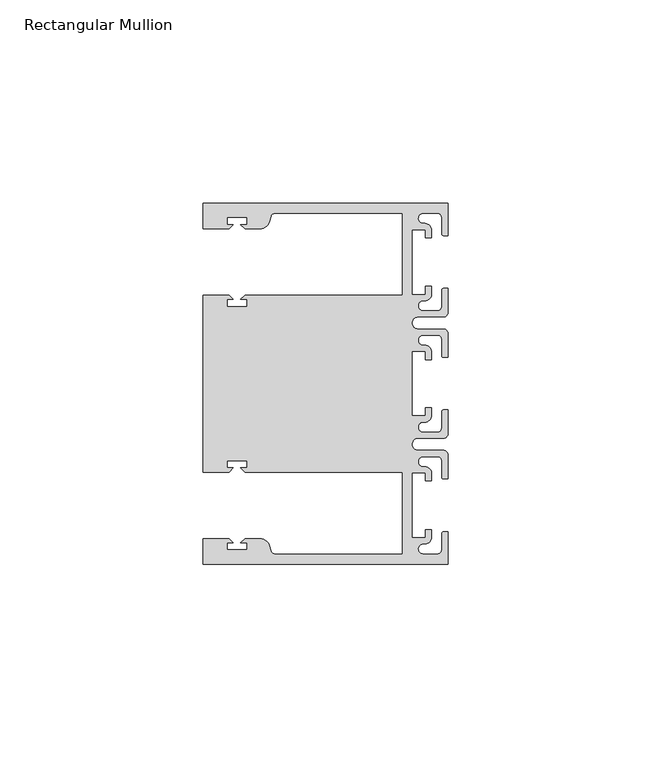
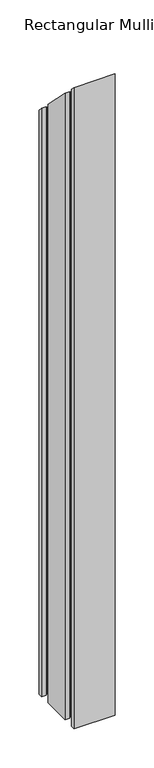
"""IFC4 building model written with IfcOpenShell, lengths in millimetres: member geometry, Rectangular Mullion."""

from ifc_helpers import new_model, si_unit, frame, origin, place, context, project, spatial, polyline, circle_curve, ellipse_curve, source, transform, mapped, element, save
from ifc_brep_helpers import plane_surface, cylinder_surface, revolved_surface, advanced_brep


def rectangular_mullion_90950c6e(model_context):
    return source(origin(), model_context, "Body", "AdvancedBrep", [
        advanced_brep(
        [(0.0, -44.45, -952.5), (-60.3249977, -44.45, -952.5), (-60.3249977, -38.1499897, -952.5), (-53.8507531, -38.1499897, -952.5), (-52.8507405, -39.1500023, -952.5), (-54.4249778, -39.1500023, -952.5), (-54.4249778, -40.9498819, -952.5), (-49.4249831, -40.9498819, -952.5), (-49.4249831, -39.1500023, -952.5), (-50.999256, -39.1500023, -952.5), (-49.9992503, -38.1499966, -952.5), (-46.3137853, -38.1499966, -952.5), (-43.8989707, -40.002949, -952.5), (-43.5758588, -41.2088192, -952.5), (-42.6099329, -41.9500001, -952.5), (-11.1124977, -41.95, -952.5), (-11.1124977, -21.7499959, -952.5), (-49.9992434, -21.7499959, -952.5), (-50.999256, -20.7499834, -952.5), (-49.4250186, -20.7499834, -952.5), (-49.4250186, -18.949936, -952.5), (-54.4250134, -18.949936, -952.5), (-54.4250134, -20.7499834, -952.5), (-52.8507405, -20.7499834, -952.5), (-53.8507562, -21.749999, -952.5), (-60.325, -21.749999, -952.5), (-60.325, 21.749999, -952.5), (-53.8507562, 21.749999, -952.5), (-52.8507405, 20.7499834, -952.5), (-54.4250134, 20.7499834, -952.5), (-54.4250134, 18.949936, -952.5), (-49.4250186, 18.949936, -952.5), (-49.4250186, 20.7499834, -952.5), (-50.999256, 20.7499834, -952.5), (-49.9992434, 21.7499959, -952.5), (-11.1125, 21.7499959, -952.5), (-11.1125, 41.95, -952.5), (-42.6099329, 41.95, -952.5), (-43.5758588, 41.2088192, -952.5), (-43.8989707, 40.002949, -952.5), (-46.3137853, 38.1499966, -952.5), (-49.9992503, 38.1499966, -952.5), (-50.999256, 39.1500023, -952.5), (-49.4249831, 39.1500023, -952.5), (-49.4249831, 40.9498819, -952.5), (-54.4249778, 40.9498819, -952.5), (-54.4249778, 39.1500023, -952.5), (-52.8507405, 39.1500023, -952.5), (-53.8507531, 38.1499897, -952.5), (-60.325, 38.1499897, -952.5), (-60.325, 44.45, -952.5), (0.0, 44.45, -952.5), (0.0, 36.4500318, -952.5), (-1.0, 36.4500318, -952.5), (-1.5, 36.9500318, -952.5), (-1.5, 40.95, -952.5), (-2.5, 41.95, -952.5), (-6.0499986, 41.95, -952.5), (-5.9027291, 39.4587029, -952.5), (-4.0000054, 37.7499972, -952.5), (-4.0000054, 35.9500318, -952.5), (-5.5, 35.9500318, -952.5), (-5.5, 37.9499972, -952.5), (-8.8585786, 37.9499972, -952.5), (-8.8585786, 21.9499956, -952.5), (-5.5, 21.9499956, -952.5), (-5.5, 23.9499611, -952.5), (-3.9999946, 23.9499611, -952.5), (-3.9999946, 22.0272972, -952.5), (-6.0499986, 20.4499956, -952.5), (-6.0499986, 17.9499929, -952.5), (-2.5, 17.9499929, -952.5), (-1.5, 18.9499929, -952.5), (-1.5, 22.9499611, -952.5), (-1.0, 23.4499611, -952.5), (0.0, 23.4499611, -952.5), (0.0, 17.4499929, -952.5), (-1.0, 16.4499929, -952.5), (-7.3, 16.4499929, -952.5), (-7.3046244, 13.45, -952.5), (-1.0, 13.45, -952.5), (0.0, 12.45, -952.5), (0.0, 6.4500354, -952.5), (-0.9999964, 6.4500354, -952.5), (-1.4999964, 6.9500354, -952.5), (-1.4999964, 10.95, -952.5), (-2.4999964, 11.95, -952.5), (-6.0499986, 11.95, -952.5), (-6.0499986, 9.4499972, -952.5), (-4.0000054, 7.7499972, -952.5), (-4.0000054, 5.9500318, -952.5), (-5.5, 5.9500318, -952.5), (-5.5, 7.9499972, -952.5), (-8.8, 7.9499972, -952.5), (-8.8, -7.9499972, -952.5), (-5.5, -7.9499972, -952.5), (-5.5, -5.9500318, -952.5), (-4.0000054, -5.9500318, -952.5), (-4.0000054, -7.7499972, -952.5), (-6.0499986, -9.4499972, -952.5), (-6.0499986, -11.95, -952.5), (-2.4999964, -11.95, -952.5), (-1.4999964, -10.95, -952.5), (-1.4999964, -6.9500354, -952.5), (-0.9999964, -6.4500354, -952.5), (0.0, -6.4500354, -952.5), (0.0, -12.45, -952.5), (-1.0, -13.45, -952.5), (-7.3046244, -13.45, -952.5), (-7.3, -16.4499929, -952.5), (-1.0, -16.4499929, -952.5), (0.0, -17.4499929, -952.5), (0.0, -23.4499611, -952.5), (-1.0, -23.4499611, -952.5), (-1.5, -22.9499611, -952.5), (-1.5, -18.9499929, -952.5), (-2.5, -17.9499929, -952.5), (-6.0499986, -17.9499929, -952.5), (-6.0499986, -20.4499956, -952.5), (-3.9999946, -22.0272972, -952.5), (-3.9999946, -23.9499611, -952.5), (-5.5, -23.9499611, -952.5), (-5.5, -21.9499956, -952.5), (-8.8585786, -21.9499956, -952.5), (-8.8585786, -37.9499972, -952.5), (-5.5, -37.9499972, -952.5), (-5.5, -35.9500318, -952.5), (-4.0000054, -35.9500318, -952.5), (-4.0000054, -37.7499972, -952.5), (-5.9027291, -39.4587029, -952.5), (-6.0499986, -41.95, -952.5), (-2.5, -41.95, -952.5), (-1.5, -40.95, -952.5), (-1.5, -36.9500318, -952.5), (-1.0, -36.4500318, -952.5), (0.0, -36.4500318, -952.5), (0.0, -36.4500318, 36.4500318), (0.0, -44.45, 44.45), (-1.0, -36.4500318, 36.4500318), (-1.5, -36.9500318, 36.9500318), (-1.5, -40.95, 40.95), (-2.5, -41.95, 41.95), (-6.0499986, -41.95, 41.95), (-5.9027291, -39.4587029, 39.4587029), (-4.0000054, -37.7499972, 37.7499972), (-4.0000054, -35.9500318, 35.9500318), (-5.5, -35.9500318, 35.9500318), (-5.5, -37.9499972, 37.9499972), (-8.8585786, -37.9499972, 37.9499972), (-8.8585786, -21.9499956, 21.9499956), (-5.5, -21.9499956, 21.9499956), (-5.5, -23.9499611, 23.9499611), (-3.9999946, -23.9499611, 23.9499611), (-3.9999946, -22.0272972, 22.0272972), (-6.0499986, -20.4499956, 20.4499956), (-6.0499986, -17.9499929, 17.9499929), (-2.5, -17.9499929, 17.9499929), (-1.5, -18.9499929, 18.9499929), (-1.5, -22.9499611, 22.9499611), (-1.0, -23.4499611, 23.4499611), (0.0, -23.4499611, 23.4499611), (0.0, -17.4499929, 17.4499929), (-1.0, -16.4499929, 16.4499929), (-7.3, -16.4499929, 16.4499929), (-7.3046244, -13.45, 13.45), (-1.0, -13.45, 13.45), (0.0, -12.45, 12.45), (0.0, -6.4500354, 6.4500354), (-0.9999964, -6.4500354, 6.4500354), (-1.4999964, -6.9500354, 6.9500354), (-1.4999964, -10.95, 10.95), (-2.4999964, -11.95, 11.95), (-6.0499986, -11.95, 11.95), (-6.0499986, -9.4499972, 9.4499972), (-4.0000054, -7.7499972, 7.7499972), (-4.0000054, -5.9500318, 5.9500318), (-5.5, -5.9500318, 5.9500318), (-5.5, -7.9499972, 7.9499972), (-8.8, -7.9499972, 7.9499972), (-8.8, 7.9499972, -7.9499972), (-5.5, 7.9499972, -7.9499972), (-5.5, 5.9500318, -5.9500318), (-4.0000054, 5.9500318, -5.9500318), (-4.0000054, 7.7499972, -7.7499972), (-6.0499986, 9.4499972, -9.4499972), (-6.0499986, 11.95, -11.95), (-2.4999964, 11.95, -11.95), (-1.4999964, 10.95, -10.95), (-1.4999964, 6.9500354, -6.9500354), (-0.9999964, 6.4500354, -6.4500354), (0.0, 6.4500354, -6.4500354), (0.0, 12.45, -12.45), (-1.0, 13.45, -13.45), (-7.3046244, 13.45, -13.45), (-7.3, 16.4499929, -16.4499929), (-1.0, 16.4499929, -16.4499929), (0.0, 17.4499929, -17.4499929), (0.0, 23.4499611, -23.4499611), (-1.0, 23.4499611, -23.4499611), (-1.5, 22.9499611, -22.9499611), (-1.5, 18.9499929, -18.9499929), (-2.5, 17.9499929, -17.9499929), (-6.0499986, 17.9499929, -17.9499929), (-6.0499986, 20.4499956, -20.4499956), (-3.9999946, 22.0272972, -22.0272972), (-3.9999946, 23.9499611, -23.9499611), (-5.5, 23.9499611, -23.9499611), (-5.5, 21.9499956, -21.9499956), (-8.8585786, 21.9499956, -21.9499956), (-8.8585786, 37.9499972, -37.9499972), (-5.5, 37.9499972, -37.9499972), (-5.5, 35.9500318, -35.9500318), (-4.0000054, 35.9500318, -35.9500318), (-4.0000054, 37.7499972, -37.7499972), (-5.9027291, 39.4587029, -39.4587029), (-6.0499986, 41.95, -41.95), (-2.5, 41.95, -41.95), (-1.5, 40.95, -40.95), (-1.5, 36.9500318, -36.9500318), (-1.0, 36.4500318, -36.4500318), (0.0, 36.4500318, -36.4500318), (0.0, 44.45, -44.45), (-60.325, 44.45, -44.45), (-60.325, 38.1499897, -38.1499897), (-53.8507531, 38.1499897, -38.1499897), (-52.8507405, 39.1500023, -39.1500023), (-54.4249778, 39.1500023, -39.1500023), (-54.4249778, 40.9498819, -40.9498819), (-49.4249831, 40.9498819, -40.9498819), (-49.4249831, 39.1500023, -39.1500023), (-50.999256, 39.1500023, -39.1500023), (-49.9992503, 38.1499966, -38.1499966), (-46.3137853, 38.1499966, -38.1499966), (-43.8989707, 40.002949, -40.002949), (-43.5758588, 41.2088192, -41.2088192), (-42.6099329, 41.9500001, -41.9500001), (-11.1125, 41.95, -41.95), (-11.1125, 21.7499959, -21.7499959), (-49.9992434, 21.7499959, -21.7499959), (-50.999256, 20.7499834, -20.7499834), (-49.4250186, 20.7499834, -20.7499834), (-49.4250186, 18.949936, -18.949936), (-54.4250134, 18.949936, -18.949936), (-54.4250134, 20.7499834, -20.7499834), (-52.8507405, 20.7499834, -20.7499834), (-53.8507562, 21.749999, -21.749999), (-60.325, 21.749999, -21.749999), (-60.325, -21.749999, 21.749999), (-53.8507562, -21.749999, 21.749999), (-52.8507405, -20.7499834, 20.7499834), (-54.4250134, -20.7499834, 20.7499834), (-54.4250134, -18.949936, 18.949936), (-49.4250186, -18.949936, 18.949936), (-49.4250186, -20.7499834, 20.7499834), (-50.999256, -20.7499834, 20.7499834), (-49.9992434, -21.7499959, 21.7499959), (-11.1124977, -21.7499959, 21.7499959), (-11.1124977, -41.95, 41.95), (-42.6099329, -41.95, 41.9500001), (-43.5758588, -41.2088192, 41.2088192), (-43.8989707, -40.002949, 40.002949), (-46.3137853, -38.1499966, 38.1499966), (-49.9992503, -38.1499966, 38.1499966), (-50.999256, -39.1500023, 39.1500023), (-49.4249831, -39.1500023, 39.1500023), (-49.4249831, -40.9498819, 40.9498819), (-54.4249778, -40.9498819, 40.9498819), (-54.4249778, -39.1500023, 39.1500023), (-52.8507405, -39.1500023, 39.1500023), (-53.8507531, -38.1499897, 38.1499897), (-60.3249977, -38.1499897, 38.1499897), (-60.3249977, -44.45, 44.45)],
        [
            (0, 1),
            (1, 2),
            (2, 3),
            (3, 4),
            (4, 5),
            (5, 6),
            (6, 7),
            (7, 8),
            (8, 9),
            (9, 10),
            (10, 11),
            (11, 12, circle_curve(frame((-46.3137853, -40.6499966, -952.5), z_axis=(0.0, 0.0, -1.0), x_axis=(0.0, 1.0, 0.0)), 2.5)),
            (12, 13),
            (13, 14, circle_curve(frame((-42.6099329, -40.9500001, -952.5), z_axis=(0.0, 0.0, 1.0), x_axis=(0.0, 1.0, 0.0)), 1.0)),
            (14, 15),
            (15, 16),
            (16, 17),
            (17, 18),
            (18, 19),
            (19, 20),
            (20, 21),
            (21, 22),
            (22, 23),
            (23, 24),
            (24, 25),
            (25, 26),
            (26, 27),
            (27, 28),
            (28, 29),
            (29, 30),
            (30, 31),
            (31, 32),
            (32, 33),
            (33, 34),
            (34, 35),
            (35, 36),
            (36, 37),
            (37, 38, circle_curve(frame((-42.6099329, 40.9500001, -952.5), z_axis=(0.0, 0.0, 1.0), x_axis=(0.0, -1.0, 0.0)), 1.0)),
            (38, 39),
            (39, 40, circle_curve(frame((-46.3137853, 40.6499966, -952.5), z_axis=(0.0, 0.0, -1.0), x_axis=(0.0, -1.0, 0.0)), 2.5)),
            (40, 41),
            (41, 42),
            (42, 43),
            (43, 44),
            (44, 45),
            (45, 46),
            (46, 47),
            (47, 48),
            (48, 49),
            (49, 50),
            (50, 51),
            (51, 52),
            (52, 53),
            (53, 54, circle_curve(frame((-1.0, 36.9500318, -952.5), z_axis=(0.0, 0.0, -1.0), x_axis=(0.0, -1.0, 0.0)), 0.5)),
            (54, 55),
            (55, 56, circle_curve(frame((-2.5, 40.95, -952.5), z_axis=(0.0, 0.0, 1.0), x_axis=(0.0, -1.0, 0.0)), 1.0)),
            (56, 57),
            (57, 58, circle_curve(frame((-6.0499986, 40.6999986, -952.5), z_axis=(0.0, 0.0, 1.0), x_axis=(0.0, -1.0, 0.0)), 1.2500014)),
            (58, 59, circle_curve(frame((-5.7186029, 37.7499972, -952.5), z_axis=(0.0, 0.0, -1.0), x_axis=(1.0, 0.0, 0.0)), 1.7185975)),
            (59, 60),
            (60, 61),
            (61, 62),
            (62, 63),
            (63, 64),
            (64, 65),
            (65, 66),
            (66, 67),
            (67, 68),
            (68, 69, circle_curve(frame((-5.7543344, 22.1865598, -952.5), z_axis=(0.0, 0.0, -1.0), x_axis=(1.0, 0.0, 0.0)), 1.761554)),
            (69, 70, circle_curve(frame((-6.0499986, 19.1999942, -952.5), z_axis=(0.0, 0.0, 1.0), x_axis=(0.0, -1.0, 0.0)), 1.2500014)),
            (70, 71),
            (71, 72, circle_curve(frame((-2.5, 18.9499929, -952.5), z_axis=(0.0, 0.0, 1.0), x_axis=(0.0, -1.0, 0.0)), 1.0)),
            (72, 73),
            (73, 74, circle_curve(frame((-1.0, 22.9499611, -952.5), z_axis=(0.0, 0.0, -1.0), x_axis=(0.0, -1.0, 0.0)), 0.5)),
            (74, 75),
            (75, 76),
            (76, 77, circle_curve(frame((-1.0, 17.4499929, -952.5), z_axis=(0.0, 0.0, -1.0), x_axis=(0.0, -1.0, 0.0)), 1.0)),
            (77, 78),
            (78, 79, circle_curve(frame((-7.3, 14.9499929, -952.5), z_axis=(0.0, 0.0, 1.0), x_axis=(0.0, -1.0, 0.0)), 1.5)),
            (79, 80),
            (80, 81, circle_curve(frame((-1.0, 12.45, -952.5), z_axis=(0.0, 0.0, -1.0), x_axis=(0.0, -1.0, 0.0)), 1.0)),
            (81, 82),
            (82, 83),
            (83, 84, circle_curve(frame((-0.9999964, 6.9500354, -952.5), z_axis=(0.0, 0.0, -1.0), x_axis=(0.0, -1.0, 0.0)), 0.5)),
            (84, 85),
            (85, 86, circle_curve(frame((-2.4999964, 10.95, -952.5), z_axis=(0.0, 0.0, 1.0), x_axis=(0.0, -1.0, 0.0)), 1.0)),
            (86, 87),
            (87, 88, circle_curve(frame((-6.0499986, 10.6999986, -952.5), z_axis=(0.0, 0.0, 1.0), x_axis=(0.0, -1.0, 0.0)), 1.2500014)),
            (88, 89, circle_curve(frame((-5.7298824, 7.7499972, -952.5), z_axis=(0.0, 0.0, -1.0), x_axis=(1.0, 0.0, 0.0)), 1.729877)),
            (89, 90),
            (90, 91),
            (91, 92),
            (92, 93),
            (93, 94),
            (94, 95),
            (95, 96),
            (96, 97),
            (97, 98),
            (98, 99, circle_curve(frame((-5.7298824, -7.7499972, -952.5), z_axis=(0.0, 0.0, -1.0), x_axis=(1.0, 0.0, 0.0)), 1.729877)),
            (99, 100, circle_curve(frame((-6.0499986, -10.6999986, -952.5), z_axis=(0.0, 0.0, 1.0), x_axis=(0.0, 1.0, 0.0)), 1.2500014)),
            (100, 101),
            (101, 102, circle_curve(frame((-2.4999964, -10.95, -952.5), z_axis=(0.0, 0.0, 1.0), x_axis=(0.0, 1.0, 0.0)), 1.0)),
            (102, 103),
            (103, 104, circle_curve(frame((-0.9999964, -6.9500354, -952.5), z_axis=(0.0, 0.0, -1.0), x_axis=(0.0, 1.0, 0.0)), 0.5)),
            (104, 105),
            (105, 106),
            (106, 107, circle_curve(frame((-1.0, -12.45, -952.5), z_axis=(0.0, 0.0, -1.0), x_axis=(0.0, 1.0, 0.0)), 1.0)),
            (107, 108),
            (108, 109, circle_curve(frame((-7.3, -14.9499929, -952.5), z_axis=(0.0, 0.0, 1.0), x_axis=(0.0, 1.0, 0.0)), 1.5)),
            (109, 110),
            (110, 111, circle_curve(frame((-1.0, -17.4499929, -952.5), z_axis=(0.0, 0.0, -1.0), x_axis=(0.0, 1.0, 0.0)), 1.0)),
            (111, 112),
            (112, 113),
            (113, 114, circle_curve(frame((-1.0, -22.9499611, -952.5), z_axis=(0.0, 0.0, -1.0), x_axis=(0.0, 1.0, 0.0)), 0.5)),
            (114, 115),
            (115, 116, circle_curve(frame((-2.5, -18.9499929, -952.5), z_axis=(0.0, 0.0, 1.0), x_axis=(0.0, 1.0, 0.0)), 1.0)),
            (116, 117),
            (117, 118, circle_curve(frame((-6.0499986, -19.1999942, -952.5), z_axis=(0.0, 0.0, 1.0), x_axis=(0.0, 1.0, 0.0)), 1.2500014)),
            (118, 119, circle_curve(frame((-5.7543344, -22.1865598, -952.5), z_axis=(0.0, 0.0, -1.0), x_axis=(1.0, 0.0, 0.0)), 1.761554)),
            (119, 120),
            (120, 121),
            (121, 122),
            (122, 123),
            (123, 124),
            (124, 125),
            (125, 126),
            (126, 127),
            (127, 128),
            (128, 129, circle_curve(frame((-5.7186029, -37.7499972, -952.5), z_axis=(0.0, 0.0, -1.0), x_axis=(1.0, 0.0, 0.0)), 1.7185975)),
            (129, 130, circle_curve(frame((-6.0499986, -40.6999986, -952.5), z_axis=(0.0, 0.0, 1.0), x_axis=(0.0, 1.0, 0.0)), 1.2500014)),
            (130, 131),
            (131, 132, circle_curve(frame((-2.5, -40.95, -952.5), z_axis=(0.0, 0.0, 1.0), x_axis=(0.0, 1.0, 0.0)), 1.0)),
            (132, 133),
            (133, 134, circle_curve(frame((-1.0, -36.9500318, -952.5), z_axis=(0.0, 0.0, -1.0), x_axis=(0.0, 1.0, 0.0)), 0.5)),
            (134, 135),
            (135, 0),
            (136, 137),
            (137, 0),
            (135, 136),
            (138, 136),
            (134, 138),
            (139, 138, ellipse_curve(frame((-1.0, -36.9500318, 36.9500318), z_axis=(0.0, -0.7071067811865476, -0.7071067811865476), x_axis=(0.0, -0.7071067811865476, 0.7071067811865474)), 0.7071068, 0.5)),
            (133, 139),
            (140, 139),
            (132, 140),
            (141, 140, ellipse_curve(frame((-2.5, -40.95, 40.95), z_axis=(0.0, 0.7071067811865476, 0.7071067811865476), x_axis=(0.0, 0.7071067811865476, -0.7071067811865474)), 1.4142136, 1.0)),
            (131, 141),
            (142, 141),
            (130, 142),
            (143, 142, ellipse_curve(frame((-6.0499986, -40.6999986, 40.6999986), z_axis=(0.0, 0.7071067811865476, 0.7071067811865476), x_axis=(0.0, 0.7071067811865476, -0.7071067811865474)), 1.7677689, 1.2500014)),
            (129, 143),
            (144, 143, ellipse_curve(frame((-5.7186029, -37.7499972, 37.7499972), z_axis=(0.0, -0.7071067811865476, -0.7071067811865476), x_axis=(0.0, -0.7071067811865476, 0.7071067811865474)), 2.4304639, 1.7185975)),
            (128, 144),
            (145, 144),
            (127, 145),
            (146, 145),
            (126, 146),
            (147, 146),
            (125, 147),
            (148, 147),
            (124, 148),
            (149, 148),
            (123, 149),
            (150, 149),
            (122, 150),
            (151, 150),
            (121, 151),
            (152, 151),
            (120, 152),
            (153, 152),
            (119, 153),
            (154, 153, ellipse_curve(frame((-5.7543344, -22.1865598, 22.1865598), z_axis=(0.0, -0.7071067811865476, -0.7071067811865476), x_axis=(0.0, -0.7071067811865476, 0.7071067811865474)), 2.4912135, 1.761554)),
            (118, 154),
            (155, 154, ellipse_curve(frame((-6.0499986, -19.1999942, 19.1999942), z_axis=(0.0, 0.7071067811865476, 0.7071067811865476), x_axis=(0.0, 0.7071067811865476, -0.7071067811865474)), 1.7677689, 1.2500014)),
            (117, 155),
            (156, 155),
            (116, 156),
            (157, 156, ellipse_curve(frame((-2.5, -18.9499929, 18.9499929), z_axis=(0.0, 0.7071067811865476, 0.7071067811865476), x_axis=(0.0, 0.7071067811865476, -0.7071067811865474)), 1.4142136, 1.0)),
            (115, 157),
            (158, 157),
            (114, 158),
            (159, 158, ellipse_curve(frame((-1.0, -22.9499611, 22.9499611), z_axis=(0.0, -0.7071067811865476, -0.7071067811865476), x_axis=(0.0, -0.7071067811865476, 0.7071067811865474)), 0.7071068, 0.5)),
            (113, 159),
            (160, 159),
            (112, 160),
            (161, 160),
            (111, 161),
            (162, 161, ellipse_curve(frame((-1.0, -17.4499929, 17.4499929), z_axis=(0.0, -0.7071067811865476, -0.7071067811865476), x_axis=(0.0, -0.7071067811865476, 0.7071067811865474)), 1.4142136, 1.0)),
            (110, 162),
            (163, 162),
            (109, 163),
            (164, 163, ellipse_curve(frame((-7.3, -14.9499929, 14.9499929), z_axis=(0.0, 0.7071067811865476, 0.7071067811865476), x_axis=(0.0, 0.7071067811865476, -0.7071067811865474)), 2.1213203, 1.5)),
            (108, 164),
            (165, 164),
            (107, 165),
            (166, 165, ellipse_curve(frame((-1.0, -12.45, 12.45), z_axis=(0.0, -0.7071067811865476, -0.7071067811865476), x_axis=(0.0, -0.7071067811865476, 0.7071067811865474)), 1.4142136, 1.0)),
            (106, 166),
            (167, 166),
            (105, 167),
            (168, 167),
            (104, 168),
            (169, 168, ellipse_curve(frame((-0.9999964, -6.9500354, 6.9500354), z_axis=(0.0, -0.7071067811865476, -0.7071067811865476), x_axis=(0.0, -0.7071067811865476, 0.7071067811865474)), 0.7071068, 0.5)),
            (103, 169),
            (170, 169),
            (102, 170),
            (171, 170, ellipse_curve(frame((-2.4999964, -10.95, 10.95), z_axis=(0.0, 0.7071067811865476, 0.7071067811865476), x_axis=(0.0, 0.7071067811865476, -0.7071067811865474)), 1.4142136, 1.0)),
            (101, 171),
            (172, 171),
            (100, 172),
            (173, 172, ellipse_curve(frame((-6.0499986, -10.6999986, 10.6999986), z_axis=(0.0, 0.7071067811865476, 0.7071067811865476), x_axis=(0.0, 0.7071067811865476, -0.7071067811865474)), 1.7677689, 1.2500014)),
            (99, 173),
            (174, 173, ellipse_curve(frame((-5.7298824, -7.7499972, 7.7499972), z_axis=(0.0, -0.7071067811865476, -0.7071067811865476), x_axis=(0.0, -0.7071067811865476, 0.7071067811865474)), 2.4464155, 1.729877)),
            (98, 174),
            (175, 174),
            (97, 175),
            (176, 175),
            (96, 176),
            (177, 176),
            (95, 177),
            (178, 177),
            (94, 178),
            (179, 178),
            (93, 179),
            (180, 179),
            (92, 180),
            (181, 180),
            (91, 181),
            (182, 181),
            (90, 182),
            (183, 182),
            (89, 183),
            (184, 183, ellipse_curve(frame((-5.7298824, 7.7499972, -7.7499972), z_axis=(0.0, -0.7071067811865476, -0.7071067811865476), x_axis=(0.0, -0.7071067811865476, 0.7071067811865474)), 2.4464155, 1.729877)),
            (88, 184),
            (185, 184, ellipse_curve(frame((-6.0499986, 10.6999986, -10.6999986), z_axis=(0.0, 0.7071067811865476, 0.7071067811865476), x_axis=(0.0, 0.7071067811865476, -0.7071067811865474)), 1.7677689, 1.2500014)),
            (87, 185),
            (186, 185),
            (86, 186),
            (187, 186, ellipse_curve(frame((-2.4999964, 10.95, -10.95), z_axis=(0.0, 0.7071067811865476, 0.7071067811865476), x_axis=(0.0, 0.7071067811865476, -0.7071067811865474)), 1.4142136, 1.0)),
            (85, 187),
            (188, 187),
            (84, 188),
            (189, 188, ellipse_curve(frame((-0.9999964, 6.9500354, -6.9500354), z_axis=(0.0, -0.7071067811865476, -0.7071067811865476), x_axis=(0.0, -0.7071067811865476, 0.7071067811865474)), 0.7071068, 0.5)),
            (83, 189),
            (190, 189),
            (82, 190),
            (191, 190),
            (81, 191),
            (192, 191, ellipse_curve(frame((-1.0, 12.45, -12.45), z_axis=(0.0, -0.7071067811865476, -0.7071067811865476), x_axis=(0.0, -0.7071067811865476, 0.7071067811865474)), 1.4142136, 1.0)),
            (80, 192),
            (193, 192),
            (79, 193),
            (194, 193, ellipse_curve(frame((-7.3, 14.9499929, -14.9499929), z_axis=(0.0, 0.7071067811865476, 0.7071067811865476), x_axis=(0.0, 0.7071067811865476, -0.7071067811865474)), 2.1213203, 1.5)),
            (78, 194),
            (195, 194),
            (77, 195),
            (196, 195, ellipse_curve(frame((-1.0, 17.4499929, -17.4499929), z_axis=(0.0, -0.7071067811865476, -0.7071067811865476), x_axis=(0.0, -0.7071067811865476, 0.7071067811865474)), 1.4142136, 1.0)),
            (76, 196),
            (197, 196),
            (75, 197),
            (198, 197),
            (74, 198),
            (199, 198, ellipse_curve(frame((-1.0, 22.9499611, -22.9499611), z_axis=(0.0, -0.7071067811865476, -0.7071067811865476), x_axis=(0.0, -0.7071067811865476, 0.7071067811865474)), 0.7071068, 0.5)),
            (73, 199),
            (200, 199),
            (72, 200),
            (201, 200, ellipse_curve(frame((-2.5, 18.9499929, -18.9499929), z_axis=(0.0, 0.7071067811865476, 0.7071067811865476), x_axis=(0.0, 0.7071067811865476, -0.7071067811865474)), 1.4142136, 1.0)),
            (71, 201),
            (202, 201),
            (70, 202),
            (203, 202, ellipse_curve(frame((-6.0499986, 19.1999942, -19.1999942), z_axis=(0.0, 0.7071067811865476, 0.7071067811865476), x_axis=(0.0, 0.7071067811865476, -0.7071067811865474)), 1.7677689, 1.2500014)),
            (69, 203),
            (204, 203, ellipse_curve(frame((-5.7543344, 22.1865598, -22.1865598), z_axis=(0.0, -0.7071067811865476, -0.7071067811865476), x_axis=(0.0, -0.7071067811865476, 0.7071067811865474)), 2.4912135, 1.761554)),
            (68, 204),
            (205, 204),
            (67, 205),
            (206, 205),
            (66, 206),
            (207, 206),
            (65, 207),
            (208, 207),
            (64, 208),
            (209, 208),
            (63, 209),
            (210, 209),
            (62, 210),
            (211, 210),
            (61, 211),
            (212, 211),
            (60, 212),
            (213, 212),
            (59, 213),
            (214, 213, ellipse_curve(frame((-5.7186029, 37.7499972, -37.7499972), z_axis=(0.0, -0.7071067811865476, -0.7071067811865476), x_axis=(0.0, -0.7071067811865476, 0.7071067811865474)), 2.4304639, 1.7185975)),
            (58, 214),
            (215, 214, ellipse_curve(frame((-6.0499986, 40.6999986, -40.6999986), z_axis=(0.0, 0.7071067811865476, 0.7071067811865476), x_axis=(0.0, 0.7071067811865476, -0.7071067811865474)), 1.7677689, 1.2500014)),
            (57, 215),
            (216, 215),
            (56, 216),
            (217, 216, ellipse_curve(frame((-2.5, 40.95, -40.95), z_axis=(0.0, 0.7071067811865476, 0.7071067811865476), x_axis=(0.0, 0.7071067811865476, -0.7071067811865474)), 1.4142136, 1.0)),
            (55, 217),
            (218, 217),
            (54, 218),
            (219, 218, ellipse_curve(frame((-1.0, 36.9500318, -36.9500318), z_axis=(0.0, -0.7071067811865476, -0.7071067811865476), x_axis=(0.0, -0.7071067811865476, 0.7071067811865474)), 0.7071068, 0.5)),
            (53, 219),
            (220, 219),
            (52, 220),
            (221, 220),
            (51, 221),
            (222, 221),
            (50, 222),
            (223, 222),
            (49, 223),
            (224, 223),
            (48, 224),
            (225, 224),
            (47, 225),
            (226, 225),
            (46, 226),
            (227, 226),
            (45, 227),
            (228, 227),
            (44, 228),
            (229, 228),
            (43, 229),
            (230, 229),
            (42, 230),
            (231, 230),
            (41, 231),
            (232, 231),
            (40, 232),
            (233, 232, ellipse_curve(frame((-46.3137853, 40.6499966, -40.6499966), z_axis=(0.0, -0.7071067811865476, -0.7071067811865476), x_axis=(0.0, -0.7071067811865476, 0.7071067811865474)), 3.5355339, 2.5)),
            (39, 233),
            (234, 233),
            (38, 234),
            (235, 234, ellipse_curve(frame((-42.6099329, 40.9500001, -40.9500001), z_axis=(0.0, 0.7071067811865476, 0.7071067811865476), x_axis=(0.0, 0.7071067811865476, -0.7071067811865474)), 1.4142136, 1.0)),
            (37, 235),
            (236, 235),
            (36, 236),
            (237, 236),
            (35, 237),
            (238, 237),
            (34, 238),
            (239, 238),
            (33, 239),
            (240, 239),
            (32, 240),
            (241, 240),
            (31, 241),
            (242, 241),
            (30, 242),
            (243, 242),
            (29, 243),
            (244, 243),
            (28, 244),
            (245, 244),
            (27, 245),
            (246, 245),
            (26, 246),
            (247, 246),
            (25, 247),
            (248, 247),
            (24, 248),
            (249, 248),
            (23, 249),
            (250, 249),
            (22, 250),
            (251, 250),
            (21, 251),
            (252, 251),
            (20, 252),
            (253, 252),
            (19, 253),
            (254, 253),
            (18, 254),
            (255, 254),
            (17, 255),
            (256, 255),
            (16, 256),
            (257, 256),
            (15, 257),
            (258, 257),
            (14, 258),
            (259, 258, ellipse_curve(frame((-42.6099329, -40.9500001, 40.9500001), z_axis=(0.0, 0.7071067811865476, 0.7071067811865476), x_axis=(0.0, 0.7071067811865476, -0.7071067811865474)), 1.4142136, 1.0)),
            (13, 259),
            (260, 259),
            (12, 260),
            (261, 260, ellipse_curve(frame((-46.3137853, -40.6499966, 40.6499966), z_axis=(0.0, -0.7071067811865476, -0.7071067811865476), x_axis=(0.0, -0.7071067811865476, 0.7071067811865474)), 3.5355339, 2.5)),
            (11, 261),
            (262, 261),
            (10, 262),
            (263, 262),
            (9, 263),
            (264, 263),
            (8, 264),
            (265, 264),
            (7, 265),
            (266, 265),
            (6, 266),
            (267, 266),
            (5, 267),
            (268, 267),
            (4, 268),
            (269, 268),
            (3, 269),
            (270, 269),
            (2, 270),
            (271, 270),
            (1, 271),
            (137, 271),
        ],
        [
            plane_surface(frame((0.0, -74.9326906, -952.5), z_axis=(0.0, 0.0, -1.0), x_axis=(-1.0, 0.0, 0.0))),
            plane_surface(frame((0.0, -44.45, 0.0), z_axis=(1.0, 0.0, 0.0), x_axis=(0.0, 0.0, -1.0))),
            plane_surface(frame((0.0, -36.4500318, 0.0), z_axis=(0.0, 1.0, 0.0), x_axis=(0.0, 0.0, -1.0))),
            cylinder_surface(frame((-1.0, -36.9500318, 0.0), z_axis=(0.0, 0.0, 1.0), x_axis=(0.0, 1.0, 0.0)), 0.5),
            plane_surface(frame((-1.5, -36.9500318, 0.0), z_axis=(-1.0, 0.0, 0.0), x_axis=(0.0, 0.0, -1.0))),
            revolved_surface(polyline([(-2.5, -39.95, -952.5), (-2.5, -39.95, 41.95000002660624)]), (-2.5, -40.95, 0.0), (0.0, 0.0, -1.0)),
            plane_surface(frame((-2.5, -41.95, 0.0), z_axis=(0.0, 1.0, 0.0), x_axis=(0.0, 0.0, -1.0))),
            revolved_surface(polyline([(-6.0499986, -39.4499972, -952.5), (-6.0499986, -39.4499972, 41.95)]), (-6.0499986, -40.6999986, 0.0), (0.0, 0.0, -1.0)),
            cylinder_surface(frame((-5.7186029, -37.7499972, 0.0), z_axis=(0.0, 0.0, 1.0), x_axis=(1.0, 0.0, 0.0)), 1.7185975),
            plane_surface(frame((-4.0000054, -37.7499972, 0.0), z_axis=(1.0, 0.0, 0.0), x_axis=(0.0, 0.0, -1.0))),
            plane_surface(frame((-4.0000054, -35.9500318, 0.0), z_axis=(0.0, 1.0, 0.0), x_axis=(0.0, 0.0, -1.0))),
            plane_surface(frame((-5.5, -35.9500318, 0.0), z_axis=(-1.0, 0.0, 0.0), x_axis=(0.0, 0.0, -1.0))),
            plane_surface(frame((-5.5, -37.9499972, 0.0), z_axis=(0.0, 1.0, 0.0), x_axis=(0.0, 0.0, -1.0))),
            plane_surface(frame((-8.8585786, -37.9499972, 0.0), z_axis=(1.0, 0.0, 0.0), x_axis=(0.0, 0.0, -1.0))),
            plane_surface(frame((-8.8585786, -21.9499956, 0.0), z_axis=(0.0, -1.0, 0.0), x_axis=(0.0, 0.0, -1.0))),
            plane_surface(frame((-5.5, -21.9499956, 0.0), z_axis=(-1.0, 0.0, 0.0), x_axis=(0.0, 0.0, -1.0))),
            plane_surface(frame((-5.5, -23.9499611, 0.0), z_axis=(0.0, -1.0, 0.0), x_axis=(0.0, 0.0, -1.0))),
            plane_surface(frame((-3.9999946, -23.9499611, 0.0), z_axis=(1.0, 0.0, 0.0), x_axis=(0.0, 0.0, -1.0))),
            cylinder_surface(frame((-5.7543344, -22.1865598, 0.0), z_axis=(0.0, 0.0, 1.0), x_axis=(1.0, 0.0, 0.0)), 1.761554),
            revolved_surface(polyline([(-6.0499986, -17.9499928, -952.5), (-6.0499986, -17.9499928, 20.4499956)]), (-6.0499986, -19.1999942, 0.0), (0.0, 0.0, -1.0)),
            plane_surface(frame((-6.0499986, -17.9499929, 0.0), z_axis=(0.0, -1.0, 0.0), x_axis=(0.0, 0.0, -1.0))),
            revolved_surface(polyline([(-2.5, -17.9499929, -952.5), (-2.5, -17.9499929, 19.949992926606242)]), (-2.5, -18.9499929, 0.0), (0.0, 0.0, -1.0)),
            plane_surface(frame((-1.5, -18.9499929, 0.0), z_axis=(-1.0, 0.0, 0.0), x_axis=(0.0, 0.0, -1.0))),
            cylinder_surface(frame((-1.0, -22.9499611, 0.0), z_axis=(0.0, 0.0, 1.0), x_axis=(0.0, 1.0, 0.0)), 0.5),
            plane_surface(frame((-1.0, -23.4499611, 0.0), z_axis=(0.0, -1.0, 0.0), x_axis=(0.0, 0.0, -1.0))),
            plane_surface(frame((0.0, -23.4499611, 0.0), z_axis=(1.0, 0.0, 0.0), x_axis=(0.0, 0.0, -1.0))),
            cylinder_surface(frame((-1.0, -17.4499929, 0.0), z_axis=(0.0, 0.0, 1.0), x_axis=(0.0, 1.0, 0.0)), 1.0),
            plane_surface(frame((-1.0, -16.4499929, 0.0), z_axis=(0.0, 1.0, 0.0), x_axis=(0.0, 0.0, -1.0))),
            revolved_surface(polyline([(-7.3, -13.4499929, -952.5), (-7.3, -13.4499929, 16.4499929)]), (-7.3, -14.9499929, 0.0), (0.0, 0.0, -1.0)),
            plane_surface(frame((-7.3046244, -13.45, 0.0), z_axis=(0.0, -1.0, 0.0), x_axis=(0.0, 0.0, -1.0))),
            cylinder_surface(frame((-1.0, -12.45, 0.0), z_axis=(0.0, 0.0, 1.0), x_axis=(0.0, 1.0, 0.0)), 1.0),
            plane_surface(frame((0.0, -12.45, 0.0), z_axis=(1.0, 0.0, 0.0), x_axis=(0.0, 0.0, -1.0))),
            plane_surface(frame((0.0, -6.4500354, 0.0), z_axis=(0.0, 1.0, 0.0), x_axis=(0.0, 0.0, -1.0))),
            cylinder_surface(frame((-0.9999964, -6.9500354, 0.0), z_axis=(0.0, 0.0, 1.0), x_axis=(0.0, 1.0, 0.0)), 0.5),
            plane_surface(frame((-1.4999964, -6.9500354, 0.0), z_axis=(-1.0, 0.0, 0.0), x_axis=(0.0, 0.0, -1.0))),
            revolved_surface(polyline([(-2.4999964, -9.95, -952.5), (-2.4999964, -9.95, 11.950000026606238)]), (-2.4999964, -10.95, 0.0), (0.0, 0.0, -1.0)),
            plane_surface(frame((-2.4999964, -11.95, 0.0), z_axis=(0.0, 1.0, 0.0), x_axis=(0.0, 0.0, -1.0))),
            revolved_surface(polyline([(-6.0499986, -9.4499972, -952.5), (-6.0499986, -9.4499972, 11.95)]), (-6.0499986, -10.6999986, 0.0), (0.0, 0.0, -1.0)),
            cylinder_surface(frame((-5.7298824, -7.7499972, 0.0), z_axis=(0.0, 0.0, 1.0), x_axis=(1.0, 0.0, 0.0)), 1.729877),
            plane_surface(frame((-4.0000054, -7.7499972, 0.0), z_axis=(1.0, 0.0, 0.0), x_axis=(0.0, 0.0, -1.0))),
            plane_surface(frame((-4.0000054, -5.9500318, 0.0), z_axis=(0.0, 1.0, 0.0), x_axis=(0.0, 0.0, -1.0))),
            plane_surface(frame((-5.5, -5.9500318, 0.0), z_axis=(-1.0, 0.0, 0.0), x_axis=(0.0, 0.0, -1.0))),
            plane_surface(frame((-5.5, -7.9499972, 0.0), z_axis=(0.0, 1.0, 0.0), x_axis=(0.0, 0.0, -1.0))),
            plane_surface(frame((-8.8, -7.9499972, 0.0), z_axis=(1.0, 0.0, 0.0), x_axis=(0.0, 0.0, -1.0))),
            plane_surface(frame((-8.8, 7.9499972, 0.0), z_axis=(0.0, -1.0, 0.0), x_axis=(0.0, 0.0, -1.0))),
            plane_surface(frame((-5.5, 7.9499972, 0.0), z_axis=(-1.0, 0.0, 0.0), x_axis=(0.0, 0.0, -1.0))),
            plane_surface(frame((-5.5, 5.9500318, 0.0), z_axis=(0.0, -1.0, 0.0), x_axis=(0.0, 0.0, -1.0))),
            plane_surface(frame((-4.0000054, 5.9500318, 0.0), z_axis=(1.0, 0.0, 0.0), x_axis=(0.0, 0.0, -1.0))),
            cylinder_surface(frame((-5.7298824, 7.7499972, 0.0), z_axis=(0.0, 0.0, 1.0), x_axis=(1.0, 0.0, 0.0)), 1.729877),
            revolved_surface(polyline([(-6.0499986, 9.4499972, -952.5), (-6.0499986, 9.4499972, -9.4499972)]), (-6.0499986, 10.6999986, 0.0), (0.0, 0.0, -1.0)),
            plane_surface(frame((-6.0499986, 11.95, 0.0), z_axis=(0.0, -1.0, 0.0), x_axis=(0.0, 0.0, -1.0))),
            revolved_surface(polyline([(-2.4999964, 9.95, -952.5), (-2.4999964, 9.95, -9.94999997339376)]), (-2.4999964, 10.95, 0.0), (0.0, 0.0, -1.0)),
            plane_surface(frame((-1.4999964, 10.95, 0.0), z_axis=(-1.0, 0.0, 0.0), x_axis=(0.0, 0.0, -1.0))),
            cylinder_surface(frame((-0.9999964, 6.9500354, 0.0), z_axis=(0.0, 0.0, 1.0), x_axis=(0.0, -1.0, 0.0)), 0.5),
            plane_surface(frame((-0.9999964, 6.4500354, 0.0), z_axis=(0.0, -1.0, 0.0), x_axis=(0.0, 0.0, -1.0))),
            plane_surface(frame((0.0, 6.4500354, 0.0), z_axis=(1.0, 0.0, 0.0), x_axis=(0.0, 0.0, -1.0))),
            cylinder_surface(frame((-1.0, 12.45, 0.0), z_axis=(0.0, 0.0, 1.0), x_axis=(0.0, -1.0, 0.0)), 1.0),
            plane_surface(frame((-1.0, 13.45, 0.0), z_axis=(0.0, 1.0, 0.0), x_axis=(0.0, 0.0, -1.0))),
            revolved_surface(polyline([(-7.3, 13.4499929, -952.5), (-7.3, 13.4499929, -13.449992930801319)]), (-7.3, 14.9499929, 0.0), (0.0, 0.0, -1.0)),
            plane_surface(frame((-7.3, 16.4499929, 0.0), z_axis=(0.0, -1.0, 0.0), x_axis=(0.0, 0.0, -1.0))),
            cylinder_surface(frame((-1.0, 17.4499929, 0.0), z_axis=(0.0, 0.0, 1.0), x_axis=(0.0, -1.0, 0.0)), 1.0),
            plane_surface(frame((0.0, 17.4499929, 0.0), z_axis=(1.0, 0.0, 0.0), x_axis=(0.0, 0.0, -1.0))),
            plane_surface(frame((0.0, 23.4499611, 0.0), z_axis=(0.0, 1.0, 0.0), x_axis=(0.0, 0.0, -1.0))),
            cylinder_surface(frame((-1.0, 22.9499611, 0.0), z_axis=(0.0, 0.0, 1.0), x_axis=(0.0, -1.0, 0.0)), 0.5),
            plane_surface(frame((-1.5, 22.9499611, 0.0), z_axis=(-1.0, 0.0, 0.0), x_axis=(0.0, 0.0, -1.0))),
            revolved_surface(polyline([(-2.5, 17.9499929, -952.5), (-2.5, 17.9499929, -17.94999287339376)]), (-2.5, 18.9499929, 0.0), (0.0, 0.0, -1.0)),
            plane_surface(frame((-2.5, 17.9499929, 0.0), z_axis=(0.0, 1.0, 0.0), x_axis=(0.0, 0.0, -1.0))),
            revolved_surface(polyline([(-6.0499986, 17.9499928, -952.5), (-6.0499986, 17.9499928, -17.949992823239317)]), (-6.0499986, 19.1999942, 0.0), (0.0, 0.0, -1.0)),
            cylinder_surface(frame((-5.7543344, 22.1865598, 0.0), z_axis=(0.0, 0.0, 1.0), x_axis=(1.0, 0.0, 0.0)), 1.761554),
            plane_surface(frame((-3.9999946, 22.0272972, 0.0), z_axis=(1.0, 0.0, 0.0), x_axis=(0.0, 0.0, -1.0))),
            plane_surface(frame((-3.9999946, 23.9499611, 0.0), z_axis=(0.0, 1.0, 0.0), x_axis=(0.0, 0.0, -1.0))),
            plane_surface(frame((-5.5, 23.9499611, 0.0), z_axis=(-1.0, 0.0, 0.0), x_axis=(0.0, 0.0, -1.0))),
            plane_surface(frame((-5.5, 21.9499956, 0.0), z_axis=(0.0, 1.0, 0.0), x_axis=(0.0, 0.0, -1.0))),
            plane_surface(frame((-8.8585786, 21.9499956, 0.0), z_axis=(1.0, 0.0, 0.0), x_axis=(0.0, 0.0, -1.0))),
            plane_surface(frame((-8.8585786, 37.9499972, 0.0), z_axis=(0.0, -1.0, 0.0), x_axis=(0.0, 0.0, -1.0))),
            plane_surface(frame((-5.5, 37.9499972, 0.0), z_axis=(-1.0, 0.0, 0.0), x_axis=(0.0, 0.0, -1.0))),
            plane_surface(frame((-5.5, 35.9500318, 0.0), z_axis=(0.0, -1.0, 0.0), x_axis=(0.0, 0.0, -1.0))),
            plane_surface(frame((-4.0000054, 35.9500318, 0.0), z_axis=(1.0, 0.0, 0.0), x_axis=(0.0, 0.0, -1.0))),
            cylinder_surface(frame((-5.7186029, 37.7499972, 0.0), z_axis=(0.0, 0.0, 1.0), x_axis=(1.0, 0.0, 0.0)), 1.7185975),
            revolved_surface(polyline([(-6.0499986, 39.4499972, -952.5), (-6.0499986, 39.4499972, -39.449997223239315)]), (-6.0499986, 40.6999986, 0.0), (0.0, 0.0, -1.0)),
            plane_surface(frame((-6.0499986, 41.95, 0.0), z_axis=(0.0, -1.0, 0.0), x_axis=(0.0, 0.0, -1.0))),
            revolved_surface(polyline([(-2.5, 39.95, -952.5), (-2.5, 39.95, -39.949999973393766)]), (-2.5, 40.95, 0.0), (0.0, 0.0, -1.0)),
            plane_surface(frame((-1.5, 40.95, 0.0), z_axis=(-1.0, 0.0, 0.0), x_axis=(0.0, 0.0, -1.0))),
            cylinder_surface(frame((-1.0, 36.9500318, 0.0), z_axis=(0.0, 0.0, 1.0), x_axis=(0.0, -1.0, 0.0)), 0.5),
            plane_surface(frame((-1.0, 36.4500318, 0.0), z_axis=(0.0, -1.0, 0.0), x_axis=(0.0, 0.0, -1.0))),
            plane_surface(frame((0.0, 36.4500318, 0.0), z_axis=(1.0, 0.0, 0.0), x_axis=(0.0, 0.0, -1.0))),
            plane_surface(frame((0.0, 44.45, 0.0), z_axis=(0.0, 1.0, 0.0), x_axis=(0.0, 0.0, -1.0))),
            plane_surface(frame((-60.325, 44.45, 0.0), z_axis=(-1.0, 0.0, 0.0), x_axis=(0.0, 0.0, -1.0))),
            plane_surface(frame((-60.325, 38.1499897, 0.0), z_axis=(0.0, -1.0, 0.0), x_axis=(0.0, 0.0, -1.0))),
            plane_surface(frame((-53.8507531, 38.1499897, 0.0), z_axis=(0.7071067811865447, -0.7071067811865505, 0.0), x_axis=(0.0, 0.0, -1.0))),
            plane_surface(frame((-52.8507405, 39.1500023, 0.0), z_axis=(0.0, 1.0, 0.0), x_axis=(0.0, 0.0, -1.0))),
            plane_surface(frame((-54.4249778, 39.1500023, 0.0), z_axis=(1.0, 0.0, 0.0), x_axis=(0.0, 0.0, -1.0))),
            plane_surface(frame((-54.4249778, 40.9498819, 0.0), z_axis=(0.0, -1.0, 0.0), x_axis=(0.0, 0.0, -1.0))),
            plane_surface(frame((-49.4249831, 40.9498819, 0.0), z_axis=(-1.0, 0.0, 0.0), x_axis=(0.0, 0.0, -1.0))),
            plane_surface(frame((-49.4249831, 39.1500023, 0.0), z_axis=(0.0, 1.0, 0.0), x_axis=(0.0, 0.0, -1.0))),
            plane_surface(frame((-50.999256, 39.1500023, 0.0), z_axis=(-0.7071067811865515, -0.7071067811865436, 0.0), x_axis=(0.0, 0.0, -1.0))),
            plane_surface(frame((-49.9992503, 38.1499966, 0.0), z_axis=(0.0, -1.0, 0.0), x_axis=(0.0, 0.0, -1.0))),
            cylinder_surface(frame((-46.3137853, 40.6499966, 0.0), z_axis=(0.0, 0.0, 1.0), x_axis=(0.0, -1.0, 0.0)), 2.5),
            plane_surface(frame((-43.8989707, 40.002949, 0.0), z_axis=(0.9659258262891613, -0.2588190451021737, 0.0), x_axis=(0.0, 0.0, -1.0))),
            revolved_surface(polyline([(-42.6099329, 39.9500001, -952.5), (-42.6099329, 39.9500001, -39.95000007339376)]), (-42.6099329, 40.9500001, 0.0), (0.0, 0.0, -1.0)),
            plane_surface(frame((-42.6099329, 41.95, 0.0), z_axis=(0.0, -1.0, 0.0), x_axis=(0.0, 0.0, -1.0))),
            plane_surface(frame((-11.1125, 41.95, 0.0), z_axis=(-1.0, 0.0, 0.0), x_axis=(0.0, 0.0, -1.0))),
            plane_surface(frame((-11.1125, 21.7499959, 0.0), z_axis=(0.0, 1.0, 0.0), x_axis=(0.0, 0.0, -1.0))),
            plane_surface(frame((-49.9992434, 21.7499959, 0.0), z_axis=(-0.7071067811865447, 0.7071067811865505, 0.0), x_axis=(0.0, 0.0, -1.0))),
            plane_surface(frame((-50.999256, 20.7499834, 0.0), z_axis=(0.0, -1.0, 0.0), x_axis=(0.0, 0.0, -1.0))),
            plane_surface(frame((-49.4250186, 20.7499834, 0.0), z_axis=(-1.0, 0.0, 0.0), x_axis=(0.0, 0.0, -1.0))),
            plane_surface(frame((-49.4250186, 18.949936, 0.0), z_axis=(0.0, 1.0, 0.0), x_axis=(0.0, 0.0, -1.0))),
            plane_surface(frame((-54.4250134, 18.949936, 0.0), z_axis=(1.0, 0.0, 0.0), x_axis=(0.0, 0.0, -1.0))),
            plane_surface(frame((-54.4250134, 20.7499834, 0.0), z_axis=(0.0, -1.0, 0.0), x_axis=(0.0, 0.0, -1.0))),
            plane_surface(frame((-52.8507405, 20.7499834, 0.0), z_axis=(0.7071067811865518, 0.7071067811865434, 0.0), x_axis=(0.0, 0.0, -1.0))),
            plane_surface(frame((-53.8507562, 21.749999, 0.0), z_axis=(0.0, 1.0, 0.0), x_axis=(0.0, 0.0, -1.0))),
            plane_surface(frame((-60.325, 21.749999, 0.0), z_axis=(-1.0, 0.0, 0.0), x_axis=(0.0, 0.0, -1.0))),
            plane_surface(frame((-60.325, -21.749999, 0.0), z_axis=(0.0, -1.0, 0.0), x_axis=(0.0, 0.0, -1.0))),
            plane_surface(frame((-53.8507562, -21.749999, 0.0), z_axis=(0.7071067811865472, -0.7071067811865479, 0.0), x_axis=(0.0, 0.0, -1.0))),
            plane_surface(frame((-52.8507405, -20.7499834, 0.0), z_axis=(0.0, 1.0, 0.0), x_axis=(0.0, 0.0, -1.0))),
            plane_surface(frame((-54.4250134, -20.7499834, 0.0), z_axis=(1.0, 0.0, 0.0), x_axis=(0.0, 0.0, -1.0))),
            plane_surface(frame((-54.4250134, -18.949936, 0.0), z_axis=(0.0, -1.0, 0.0), x_axis=(0.0, 0.0, -1.0))),
            plane_surface(frame((-49.4250186, -18.949936, 0.0), z_axis=(-1.0, 0.0, 0.0), x_axis=(0.0, 0.0, -1.0))),
            plane_surface(frame((-49.4250186, -20.7499834, 0.0), z_axis=(0.0, 1.0, 0.0), x_axis=(0.0, 0.0, -1.0))),
            plane_surface(frame((-50.999256, -20.7499834, 0.0), z_axis=(-0.7071067811865492, -0.7071067811865459, 0.0), x_axis=(0.0, 0.0, -1.0))),
            plane_surface(frame((-49.9992434, -21.7499959, 0.0), z_axis=(0.0, -1.0, 0.0), x_axis=(0.0, 0.0, -1.0))),
            plane_surface(frame((-11.1124977, -21.7499959, 0.0), z_axis=(-1.0, 0.0, 0.0), x_axis=(0.0, 0.0, -1.0))),
            plane_surface(frame((-11.1124977, -41.95, 0.0), z_axis=(0.0, 1.0, 0.0), x_axis=(0.0, 0.0, -1.0))),
            revolved_surface(polyline([(-42.6099329, -39.9500001, -952.5), (-42.6099329, -39.9500001, 41.950000126606234)]), (-42.6099329, -40.9500001, 0.0), (0.0, 0.0, -1.0)),
            plane_surface(frame((-43.5758588, -41.2088192, 0.0), z_axis=(0.965925826289163, 0.2588190451021675, 0.0), x_axis=(0.0, 0.0, -1.0))),
            cylinder_surface(frame((-46.3137853, -40.6499966, 0.0), z_axis=(0.0, 0.0, 1.0), x_axis=(0.0, 1.0, 0.0)), 2.5),
            plane_surface(frame((-46.3137853, -38.1499966, 0.0), z_axis=(0.0, 1.0, 0.0), x_axis=(0.0, 0.0, -1.0))),
            plane_surface(frame((-49.9992503, -38.1499966, 0.0), z_axis=(-0.7071067811865469, 0.7071067811865481, 0.0), x_axis=(0.0, 0.0, -1.0))),
            plane_surface(frame((-50.999256, -39.1500023, 0.0), z_axis=(0.0, -1.0, 0.0), x_axis=(0.0, 0.0, -1.0))),
            plane_surface(frame((-49.4249831, -39.1500023, 0.0), z_axis=(-1.0, 0.0, 0.0), x_axis=(0.0, 0.0, -1.0))),
            plane_surface(frame((-49.4249831, -40.9498819, 0.0), z_axis=(0.0, 1.0, 0.0), x_axis=(0.0, 0.0, -1.0))),
            plane_surface(frame((-54.4249778, -40.9498819, 0.0), z_axis=(1.0, 0.0, 0.0), x_axis=(0.0, 0.0, -1.0))),
            plane_surface(frame((-54.4249778, -39.1500023, 0.0), z_axis=(0.0, -1.0, 0.0), x_axis=(0.0, 0.0, -1.0))),
            plane_surface(frame((-52.8507405, -39.1500023, 0.0), z_axis=(0.7071067811865492, 0.7071067811865459, 0.0), x_axis=(0.0, 0.0, -1.0))),
            plane_surface(frame((-53.8507531, -38.1499897, 0.0), z_axis=(0.0, 1.0, 0.0), x_axis=(0.0, 0.0, -1.0))),
            plane_surface(frame((-60.3249977, -38.1499897, 0.0), z_axis=(-1.0, 0.0, 0.0), x_axis=(0.0, 0.0, -1.0))),
            plane_surface(frame((-60.3249977, -44.45, 0.0), z_axis=(0.0, -1.0, 0.0), x_axis=(0.0, 0.0, -1.0))),
            plane_surface(frame((-304.8, 0.0, 0.0), z_axis=(0.0, 0.7071067811865476, 0.7071067811865476), x_axis=(0.0, 0.7071067811865476, -0.7071067811865476))),
        ],
        [
            (0, [[1, 2, 3, 4, 5, 6, 7, 8, 9, 10, 11, 12, 13, 14, 15, 16, 17, 18, 19, 20, 21, 22, 23, 24, 25, 26, 27, 28, 29, 30, 31, 32, 33, 34, 35, 36, 37, 38, 39, 40, 41, 42, 43, 44, 45, 46, 47, 48, 49, 50, 51, 52, 53, 54, 55, 56, 57, 58, 59, 60, 61, 62, 63, 64, 65, 66, 67, 68, 69, 70, 71, 72, 73, 74, 75, 76, 77, 78, 79, 80, 81, 82, 83, 84, 85, 86, 87, 88, 89, 90, 91, 92, 93, 94, 95, 96, 97, 98, 99, 100, 101, 102, 103, 104, 105, 106, 107, 108, 109, 110, 111, 112, 113, 114, 115, 116, 117, 118, 119, 120, 121, 122, 123, 124, 125, 126, 127, 128, 129, 130, 131, 132, 133, 134, 135, 136]]),
            (1, [[137, 138, -136, 139]]),
            (2, [[140, -139, -135, 141]]),
            (3, [[142, -141, -134, 143]]),
            (4, [[144, -143, -133, 145]]),
            (5, [[146, -145, -132, 147]]),
            (6, [[148, -147, -131, 149]]),
            (7, [[150, -149, -130, 151]]),
            (8, [[152, -151, -129, 153]]),
            (9, [[154, -153, -128, 155]]),
            (10, [[156, -155, -127, 157]]),
            (11, [[158, -157, -126, 159]]),
            (12, [[160, -159, -125, 161]]),
            (13, [[162, -161, -124, 163]]),
            (14, [[164, -163, -123, 165]]),
            (15, [[166, -165, -122, 167]]),
            (16, [[168, -167, -121, 169]]),
            (17, [[170, -169, -120, 171]]),
            (18, [[172, -171, -119, 173]]),
            (19, [[174, -173, -118, 175]]),
            (20, [[176, -175, -117, 177]]),
            (21, [[178, -177, -116, 179]]),
            (22, [[180, -179, -115, 181]]),
            (23, [[182, -181, -114, 183]]),
            (24, [[184, -183, -113, 185]]),
            (25, [[186, -185, -112, 187]]),
            (26, [[188, -187, -111, 189]]),
            (27, [[190, -189, -110, 191]]),
            (28, [[192, -191, -109, 193]]),
            (29, [[194, -193, -108, 195]]),
            (30, [[196, -195, -107, 197]]),
            (31, [[198, -197, -106, 199]]),
            (32, [[200, -199, -105, 201]]),
            (33, [[202, -201, -104, 203]]),
            (34, [[204, -203, -103, 205]]),
            (35, [[206, -205, -102, 207]]),
            (36, [[208, -207, -101, 209]]),
            (37, [[210, -209, -100, 211]]),
            (38, [[212, -211, -99, 213]]),
            (39, [[214, -213, -98, 215]]),
            (40, [[216, -215, -97, 217]]),
            (41, [[218, -217, -96, 219]]),
            (42, [[220, -219, -95, 221]]),
            (43, [[222, -221, -94, 223]]),
            (44, [[224, -223, -93, 225]]),
            (45, [[226, -225, -92, 227]]),
            (46, [[228, -227, -91, 229]]),
            (47, [[230, -229, -90, 231]]),
            (48, [[232, -231, -89, 233]]),
            (49, [[234, -233, -88, 235]]),
            (50, [[236, -235, -87, 237]]),
            (51, [[238, -237, -86, 239]]),
            (52, [[240, -239, -85, 241]]),
            (53, [[242, -241, -84, 243]]),
            (54, [[244, -243, -83, 245]]),
            (55, [[246, -245, -82, 247]]),
            (56, [[248, -247, -81, 249]]),
            (57, [[250, -249, -80, 251]]),
            (58, [[252, -251, -79, 253]]),
            (59, [[254, -253, -78, 255]]),
            (60, [[256, -255, -77, 257]]),
            (61, [[258, -257, -76, 259]]),
            (62, [[260, -259, -75, 261]]),
            (63, [[262, -261, -74, 263]]),
            (64, [[264, -263, -73, 265]]),
            (65, [[266, -265, -72, 267]]),
            (66, [[268, -267, -71, 269]]),
            (67, [[270, -269, -70, 271]]),
            (68, [[272, -271, -69, 273]]),
            (69, [[274, -273, -68, 275]]),
            (70, [[276, -275, -67, 277]]),
            (71, [[278, -277, -66, 279]]),
            (72, [[280, -279, -65, 281]]),
            (73, [[282, -281, -64, 283]]),
            (74, [[284, -283, -63, 285]]),
            (75, [[286, -285, -62, 287]]),
            (76, [[288, -287, -61, 289]]),
            (77, [[290, -289, -60, 291]]),
            (78, [[292, -291, -59, 293]]),
            (79, [[294, -293, -58, 295]]),
            (80, [[296, -295, -57, 297]]),
            (81, [[298, -297, -56, 299]]),
            (82, [[300, -299, -55, 301]]),
            (83, [[302, -301, -54, 303]]),
            (84, [[304, -303, -53, 305]]),
            (85, [[306, -305, -52, 307]]),
            (86, [[308, -307, -51, 309]]),
            (87, [[310, -309, -50, 311]]),
            (88, [[312, -311, -49, 313]]),
            (89, [[314, -313, -48, 315]]),
            (90, [[316, -315, -47, 317]]),
            (91, [[318, -317, -46, 319]]),
            (92, [[320, -319, -45, 321]]),
            (93, [[322, -321, -44, 323]]),
            (94, [[324, -323, -43, 325]]),
            (95, [[326, -325, -42, 327]]),
            (96, [[328, -327, -41, 329]]),
            (97, [[330, -329, -40, 331]]),
            (98, [[332, -331, -39, 333]]),
            (99, [[334, -333, -38, 335]]),
            (100, [[336, -335, -37, 337]]),
            (101, [[338, -337, -36, 339]]),
            (102, [[340, -339, -35, 341]]),
            (103, [[342, -341, -34, 343]]),
            (104, [[344, -343, -33, 345]]),
            (105, [[346, -345, -32, 347]]),
            (106, [[348, -347, -31, 349]]),
            (107, [[350, -349, -30, 351]]),
            (108, [[352, -351, -29, 353]]),
            (109, [[354, -353, -28, 355]]),
            (110, [[356, -355, -27, 357]]),
            (111, [[358, -357, -26, 359]]),
            (112, [[360, -359, -25, 361]]),
            (113, [[362, -361, -24, 363]]),
            (114, [[364, -363, -23, 365]]),
            (115, [[366, -365, -22, 367]]),
            (116, [[368, -367, -21, 369]]),
            (117, [[370, -369, -20, 371]]),
            (118, [[372, -371, -19, 373]]),
            (119, [[374, -373, -18, 375]]),
            (120, [[376, -375, -17, 377]]),
            (121, [[378, -377, -16, 379]]),
            (122, [[380, -379, -15, 381]]),
            (123, [[382, -381, -14, 383]]),
            (124, [[384, -383, -13, 385]]),
            (125, [[386, -385, -12, 387]]),
            (126, [[388, -387, -11, 389]]),
            (127, [[390, -389, -10, 391]]),
            (128, [[392, -391, -9, 393]]),
            (129, [[394, -393, -8, 395]]),
            (130, [[396, -395, -7, 397]]),
            (131, [[398, -397, -6, 399]]),
            (132, [[400, -399, -5, 401]]),
            (133, [[402, -401, -4, 403]]),
            (134, [[404, -403, -3, 405]]),
            (135, [[406, -405, -2, 407]]),
            (136, [[408, -407, -1, -138]]),
            (137, [[-137, -140, -142, -144, -146, -148, -150, -152, -154, -156, -158, -160, -162, -164, -166, -168, -170, -172, -174, -176, -178, -180, -182, -184, -186, -188, -190, -192, -194, -196, -198, -200, -202, -204, -206, -208, -210, -212, -214, -216, -218, -220, -222, -224, -226, -228, -230, -232, -234, -236, -238, -240, -242, -244, -246, -248, -250, -252, -254, -256, -258, -260, -262, -264, -266, -268, -270, -272, -274, -276, -278, -280, -282, -284, -286, -288, -290, -292, -294, -296, -298, -300, -302, -304, -306, -308, -310, -312, -314, -316, -318, -320, -322, -324, -326, -328, -330, -332, -334, -336, -338, -340, -342, -344, -346, -348, -350, -352, -354, -356, -358, -360, -362, -364, -366, -368, -370, -372, -374, -376, -378, -380, -382, -384, -386, -388, -390, -392, -394, -396, -398, -400, -402, -404, -406, -408]]),
        ],
    ),
    ])


if __name__ == "__main__":
    model = new_model("IFC4")
    model_context = context("Model", 3, world=origin())
    ifc_project = project(units=[si_unit("LENGTHUNIT", "METRE", prefix="MILLI")], contexts=[model_context])
    site = spatial("IfcSite", under=ifc_project)
    building = spatial("IfcBuilding", under=site)
    placement = place(None, origin())
    rectangular_mullion_shape = rectangular_mullion_90950c6e(model_context)
    element("IfcMember", 1, ObjectType="Rectangular Mullion", at=placement, inside=building, context=model_context, shape_type="MappedRepresentation", body=[
        mapped(rectangular_mullion_shape, transform((0.0, 0.0, 0.0), x_axis=(1.0, 0.0, 0.0), y_axis=(0.0, 1.0, 0.0), z_axis=(0.0, 0.0, 1.0))),
    ])
    save(model, "model.ifc")
